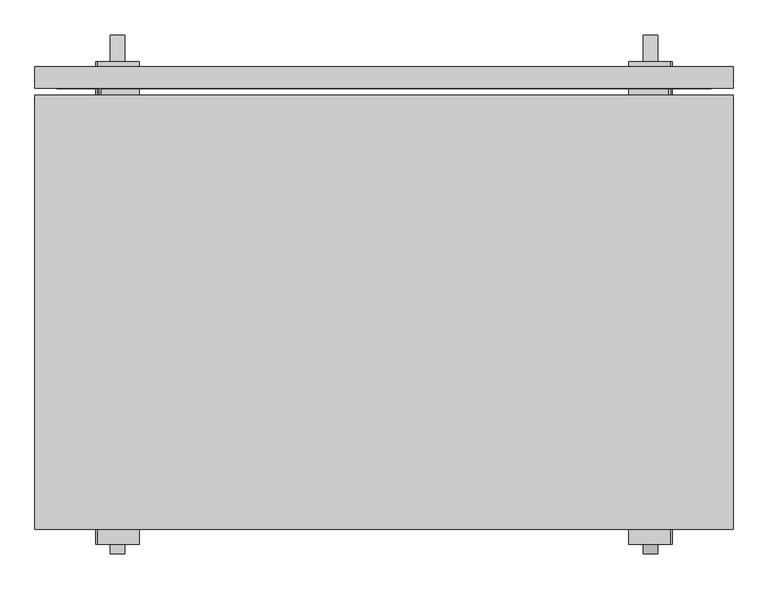
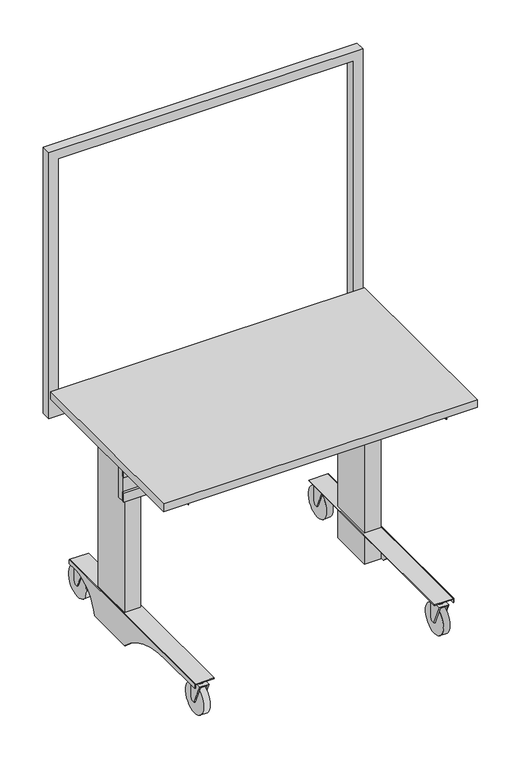
"""IFC4 building model written with IfcOpenShell, lengths in millimetres: furniture geometry."""

from ifc_helpers import new_model, si_unit, point, frame, frame_2d, origin, place, context, project, spatial, polyline, circle_curve, trimmed, segment, composite_curve, outline, extrude, faceted_brep, source, transform, mapped, element, save


def furniture_2047d374(model_context):
    return source(origin(), model_context, "Body", "SolidModel", [
        extrude(outline(composite_curve([segment(trimmed(circle_curve(frame_2d((-363.281456, 60.3249121)), 60.325), [point((-363.1784613, 0.0))], [point((-363.0896331, 120.6496071))], False, "CARTESIAN"), True, "CONTINUOUS"), segment(trimmed(circle_curve(frame_2d((-363.281456, 60.3249121)), 60.325), [point((-363.0896331, 120.6496071))], [point((-363.1784613, 0.0))], False, "CARTESIAN"), True, "CONTINUOUS")], self_intersect=False)), frame((452.9831062, 0.0, 0.0), z_axis=(1.0, 0.0, 0.0), x_axis=(0.0, 1.0, 0.0)), (0.0, 0.0, 1.0), 25.4001938),
        extrude(outline(composite_curve([segment(trimmed(circle_curve(frame_2d((465.6832031, -378.1849303)), 12.7), [point((452.9832031, -378.1849303))], [point((478.3832031, -378.1849303))], False, "CARTESIAN"), True, "CONTINUOUS"), segment(trimmed(circle_curve(frame_2d((465.6832031, -378.1849303)), 12.7), [point((478.3832031, -378.1849303))], [point((452.9832031, -378.1849303))], False, "CARTESIAN"), True, "CONTINUOUS")], self_intersect=False)), frame((0.0, 0.0, 133.3434134), z_axis=(0.0, 0.0, 1.0), x_axis=(1.0, 0.0, 0.0)), (0.0, 0.0, 1.0), 15.8815866),
        faceted_brep([(479.8786922, -370.2631105, 49.2059119), (479.8786922, -405.119037, 129.3746634), (479.8786922, -349.6945779, 129.3746634), (479.8786922, -349.6945779, 60.3184149), (479.8786922, -356.0446263, 49.2059119), (484.0980675, -349.6945779, 133.3434134), (484.0980675, -406.8445779, 133.3434134), (484.0980675, -370.2631105, 49.2059119), (484.0980675, -356.0446263, 49.2059119), (484.0980675, -349.6945779, 60.3184149), (451.4877141, -349.6945779, 129.3746634), (451.4877141, -349.6945779, 60.3184149), (447.2683388, -349.6945779, 60.3184149), (447.2683388, -349.6945779, 133.3434134), (447.2683388, -406.8445779, 133.3434134), (447.2683388, -370.2631105, 49.2059119), (451.4877141, -370.2631105, 49.2059119), (451.4877141, -405.119037, 129.3746634), (451.4877141, -356.0446263, 49.2059119), (447.2683388, -356.0446263, 49.2059119)], [[[0, 1, 2, 3, 4]], [[5, 6, 7, 8, 9]], [[3, 2, 10, 11, 12, 13, 5, 9]], [[13, 14, 6, 5]], [[14, 15, 16, 17, 1, 0, 7, 6]], [[4, 8, 7, 0]], [[3, 9, 8, 4]], [[11, 10, 17, 16, 18]], [[12, 19, 15, 14, 13]], [[16, 15, 19, 18]], [[18, 19, 12, 11]], [[2, 1, 17, 10]]]),
        extrude(outline(composite_curve([segment(trimmed(circle_curve(frame_2d((423.355318, 60.3249121)), 60.325), [point((423.4583127, 0.0))], [point((423.5471409, 120.6496071))], False, "CARTESIAN"), True, "CONTINUOUS"), segment(trimmed(circle_curve(frame_2d((423.355318, 60.3249121)), 60.325), [point((423.5471409, 120.6496071))], [point((423.4583127, 0.0))], False, "CARTESIAN"), True, "CONTINUOUS")], self_intersect=False)), frame((452.9831062, 0.0, 0.0), z_axis=(1.0, 0.0, 0.0), x_axis=(0.0, 1.0, 0.0)), (0.0, 0.0, 1.0), 25.4001938),
        extrude(outline(composite_curve([segment(trimmed(circle_curve(frame_2d((465.6832031, 408.4518437)), 12.7), [point((452.9832031, 408.4518437))], [point((478.3832031, 408.4518437))], False, "CARTESIAN"), True, "CONTINUOUS"), segment(trimmed(circle_curve(frame_2d((465.6832031, 408.4518437)), 12.7), [point((478.3832031, 408.4518437))], [point((452.9832031, 408.4518437))], False, "CARTESIAN"), True, "CONTINUOUS")], self_intersect=False)), frame((0.0, 0.0, 133.3434134), z_axis=(0.0, 0.0, 1.0), x_axis=(1.0, 0.0, 0.0)), (0.0, 0.0, 1.0), 15.8815866),
        faceted_brep([(479.8786922, 416.3736635, 49.2059119), (479.8786922, 381.517737, 129.3746634), (479.8786922, 436.9421961, 129.3746634), (479.8786922, 436.9421961, 60.3184149), (479.8786922, 430.5921477, 49.2059119), (484.0980675, 436.9421961, 133.3434134), (484.0980675, 379.7921961, 133.3434134), (484.0980675, 416.3736635, 49.2059119), (484.0980675, 430.5921477, 49.2059119), (484.0980675, 436.9421961, 60.3184149), (451.4877141, 436.9421961, 129.3746634), (451.4877141, 436.9421961, 60.3184149), (447.2683388, 436.9421961, 60.3184149), (447.2683388, 436.9421961, 133.3434134), (447.2683388, 379.7921961, 133.3434134), (447.2683388, 416.3736635, 49.2059119), (451.4877141, 416.3736635, 49.2059119), (451.4877141, 381.517737, 129.3746634), (451.4877141, 430.5921477, 49.2059119), (447.2683388, 430.5921477, 49.2059119)], [[[0, 1, 2, 3, 4]], [[5, 6, 7, 8, 9]], [[3, 2, 10, 11, 12, 13, 5, 9]], [[13, 14, 6, 5]], [[14, 15, 16, 17, 1, 0, 7, 6]], [[4, 8, 7, 0]], [[3, 9, 8, 4]], [[11, 10, 17, 16, 18]], [[12, 19, 15, 14, 13]], [[16, 15, 19, 18]], [[18, 19, 12, 11]], [[2, 1, 17, 10]]]),
        extrude(outline(composite_curve([segment(trimmed(circle_curve(frame_2d((423.355318, 60.3249121)), 60.325), [point((423.4583127, 0.0))], [point((423.5471409, 120.6496071))], False, "CARTESIAN"), True, "CONTINUOUS"), segment(trimmed(circle_curve(frame_2d((423.355318, 60.3249121)), 60.325), [point((423.5471409, 120.6496071))], [point((423.4583127, 0.0))], False, "CARTESIAN"), True, "CONTINUOUS")], self_intersect=False)), frame((-478.3833, 0.0, 0.0), z_axis=(1.0, 0.0, 0.0), x_axis=(0.0, 1.0, 0.0)), (0.0, 0.0, 1.0), 25.4001938),
        extrude(outline(composite_curve([segment(trimmed(circle_curve(frame_2d((-465.6832031, 408.4518437)), 12.7), [point((-452.9832031, 408.4518437))], [point((-478.3832031, 408.4518437))], False, "CARTESIAN"), True, "CONTINUOUS"), segment(trimmed(circle_curve(frame_2d((-465.6832031, 408.4518437)), 12.7), [point((-478.3832031, 408.4518437))], [point((-452.9832031, 408.4518437))], False, "CARTESIAN"), True, "CONTINUOUS")], self_intersect=False)), frame((0.0, 0.0, 133.3434134), z_axis=(0.0, 0.0, 1.0), x_axis=(1.0, 0.0, 0.0)), (0.0, 0.0, 1.0), 15.8815866),
        faceted_brep([(-479.8786922, 416.3736635, 49.2059119), (-479.8786922, 430.5921477, 49.2059119), (-479.8786922, 436.9421961, 60.3184149), (-479.8786922, 436.9421961, 129.3746634), (-479.8786922, 381.517737, 129.3746634), (-484.0980675, 436.9421961, 133.3434134), (-484.0980675, 436.9421961, 60.3184149), (-484.0980675, 430.5921477, 49.2059119), (-484.0980675, 416.3736635, 49.2059119), (-484.0980675, 379.7921961, 133.3434134), (-447.2683388, 436.9421961, 133.3434134), (-447.2683388, 436.9421961, 60.3184149), (-451.4877141, 436.9421961, 60.3184149), (-451.4877141, 436.9421961, 129.3746634), (-447.2683388, 379.7921961, 133.3434134), (-451.4877141, 381.517737, 129.3746634), (-451.4877141, 416.3736635, 49.2059119), (-447.2683388, 416.3736635, 49.2059119), (-451.4877141, 430.5921477, 49.2059119), (-447.2683388, 430.5921477, 49.2059119)], [[[0, 1, 2, 3, 4]], [[5, 6, 7, 8, 9]], [[2, 6, 5, 10, 11, 12, 13, 3]], [[10, 5, 9, 14]], [[14, 9, 8, 0, 4, 15, 16, 17]], [[1, 0, 8, 7]], [[2, 1, 7, 6]], [[12, 18, 16, 15, 13]], [[11, 10, 14, 17, 19]], [[16, 18, 19, 17]], [[18, 12, 11, 19]], [[3, 13, 15, 4]]]),
        extrude(outline(composite_curve([segment(trimmed(circle_curve(frame_2d((-363.281456, 60.3249121)), 60.325), [point((-363.1784613, 0.0))], [point((-363.0896331, 120.6496071))], False, "CARTESIAN"), True, "CONTINUOUS"), segment(trimmed(circle_curve(frame_2d((-363.281456, 60.3249121)), 60.325), [point((-363.0896331, 120.6496071))], [point((-363.1784613, 0.0))], False, "CARTESIAN"), True, "CONTINUOUS")], self_intersect=False)), frame((-478.3833, 0.0, 0.0), z_axis=(1.0, 0.0, 0.0), x_axis=(0.0, 1.0, 0.0)), (0.0, 0.0, 1.0), 25.4001938),
        extrude(outline(composite_curve([segment(trimmed(circle_curve(frame_2d((-465.6832031, -378.1849303)), 12.7), [point((-452.9832031, -378.1849303))], [point((-478.3832031, -378.1849303))], False, "CARTESIAN"), True, "CONTINUOUS"), segment(trimmed(circle_curve(frame_2d((-465.6832031, -378.1849303)), 12.7), [point((-478.3832031, -378.1849303))], [point((-452.9832031, -378.1849303))], False, "CARTESIAN"), True, "CONTINUOUS")], self_intersect=False)), frame((0.0, 0.0, 133.3434134), z_axis=(0.0, 0.0, 1.0), x_axis=(1.0, 0.0, 0.0)), (0.0, 0.0, 1.0), 15.8815866),
        faceted_brep([(-479.8786922, -370.2631105, 49.2059119), (-479.8786922, -356.0446263, 49.2059119), (-479.8786922, -349.6945779, 60.3184149), (-479.8786922, -349.6945779, 129.3746634), (-479.8786922, -405.119037, 129.3746634), (-484.0980675, -349.6945779, 133.3434134), (-484.0980675, -349.6945779, 60.3184149), (-484.0980675, -356.0446263, 49.2059119), (-484.0980675, -370.2631105, 49.2059119), (-484.0980675, -406.8445779, 133.3434134), (-447.2683388, -349.6945779, 133.3434134), (-447.2683388, -349.6945779, 60.3184149), (-451.4877141, -349.6945779, 60.3184149), (-451.4877141, -349.6945779, 129.3746634), (-447.2683388, -406.8445779, 133.3434134), (-451.4877141, -405.119037, 129.3746634), (-451.4877141, -370.2631105, 49.2059119), (-447.2683388, -370.2631105, 49.2059119), (-451.4877141, -356.0446263, 49.2059119), (-447.2683388, -356.0446263, 49.2059119)], [[[0, 1, 2, 3, 4]], [[5, 6, 7, 8, 9]], [[2, 6, 5, 10, 11, 12, 13, 3]], [[10, 5, 9, 14]], [[14, 9, 8, 0, 4, 15, 16, 17]], [[1, 0, 8, 7]], [[2, 1, 7, 6]], [[12, 18, 16, 15, 13]], [[11, 10, 14, 17, 19]], [[16, 18, 19, 17]], [[18, 12, 11, 19]], [[3, 13, 15, 4]]]),
        extrude(outline(composite_curve([segment(polyline([(62.5263078, 25.4), (23.8089036, 59.2016772), (-19.1171099, 87.4673166), (-65.466025, 109.679451), (-114.3890563, 125.4314328), (-164.9906188, 134.4348894), (-216.3446063, 136.5249962), (-406.8445779, 136.5249962), (-406.8445779, 152.3999992), (436.9421961, 152.3999992), (436.9421961, 136.5249962), (393.270804, 136.5249962)]), True, "CONTINUOUS"), segment(trimmed(circle_curve(frame_2d((393.270804, 8.3978511)), 128.1271451), [point((393.270804, 136.5249962))], [point((271.320106, 47.6991558))], True, "CARTESIAN"), True, "CONTINUOUS"), segment(polyline([(271.320106, 47.6991558), (265.7262594, 25.4), (62.5263078, 25.4)]), True, "CONTINUOUS")], self_intersect=False)), frame((500.6082031, 0.0, 0.0), z_axis=(1.0, 0.0, 0.0), x_axis=(0.0, 1.0, 0.0)), (0.0, 0.0, 1.0), 3.175),
        extrude(outline(polyline([(427.5832031, 436.9421961), (500.6082031, 436.9421961), (500.6082031, -406.8445779), (427.5832031, -406.8445779), (427.5832031, 436.9421961)])), frame((0.0, 0.0, 149.2250023), z_axis=(0.0, 0.0, 1.0), x_axis=(1.0, 0.0, 0.0)), (0.0, 0.0, 1.0), 3.174997),
        extrude(outline(composite_curve([segment(polyline([(62.5263078, 25.4), (23.8089036, 59.2016772), (-19.1171099, 87.4673166), (-65.466025, 109.679451), (-114.3890563, 125.4314328), (-164.9906188, 134.4348894), (-216.3446063, 136.5249962), (-406.8445779, 136.5249962), (-406.8445779, 152.3999992), (436.9421961, 152.3999992), (436.9421961, 136.5249962), (393.270804, 136.5249962)]), True, "CONTINUOUS"), segment(trimmed(circle_curve(frame_2d((393.270804, 8.3978511)), 128.1271451), [point((393.270804, 136.5249962))], [point((271.320106, 47.6991558))], True, "CARTESIAN"), True, "CONTINUOUS"), segment(polyline([(271.320106, 47.6991558), (265.7262594, 25.4), (62.5263078, 25.4)]), True, "CONTINUOUS")], self_intersect=False)), frame((-503.7832031, 0.0, 0.0), z_axis=(1.0, 0.0, 0.0), x_axis=(0.0, 1.0, 0.0)), (0.0, 0.0, 1.0), 3.175),
        extrude(outline(polyline([(-427.5832031, 436.9421961), (-427.5832031, -406.8445779), (-500.6082031, -406.8445779), (-500.6082031, 436.9421961), (-427.5832031, 436.9421961)])), frame((0.0, 0.0, 149.2250023), z_axis=(0.0, 0.0, 1.0), x_axis=(1.0, 0.0, 0.0)), (0.0, 0.0, 1.0), 3.174997),
        extrude(outline(polyline([(520.0550781, 49.8739906), (520.0550781, 40.3489906), (-520.0550781, 40.3489906), (-520.0550781, 49.8739906), (520.0550781, 49.8739906)])), frame((0.0, 0.0, 735.3101562), z_axis=(0.0, 0.0, 1.0), x_axis=(1.0, 0.0, 0.0)), (0.0, 0.0, 1.0), 38.1),
        extrude(outline(polyline([(520.0550781, 49.8739906), (520.0550781, 40.3489906), (-520.0550781, 40.3489906), (-520.0550781, 49.8739906), (520.0550781, 49.8739906)])), frame((0.0, 0.0, 633.7109072), z_axis=(0.0, 0.0, 1.0), x_axis=(1.0, 0.0, 0.0)), (0.0, 0.0, 1.0), 38.099237),
        extrude(outline(polyline([(520.0550781, 75.2739906), (520.0550781, 49.8739906), (-520.0550781, 49.8739906), (-520.0550781, 75.2739906), (520.0550781, 75.2739906)])), frame((0.0, 0.0, 633.7109072), z_axis=(0.0, 0.0, 1.0), x_axis=(1.0, 0.0, 0.0)), (0.0, 0.0, 1.0), 152.4),
        extrude(outline(polyline([(354.0270703, 831.8499758), (-7.9229297, 831.8499758), (-357.1729418, 857.2500242), (-357.1729418, 882.65), (354.0270703, 882.65), (354.0270703, 831.8499758)])), frame((500.6082031, 0.0, 0.0), z_axis=(1.0, 0.0, 0.0), x_axis=(0.0, 1.0, 0.0)), (0.0, 0.0, 1.0), 3.175),
        extrude(outline(polyline([(433.9332031, 75.2740107), (433.9332031, 253.0739906), (497.4332031, 253.0739906), (497.4332031, 75.2740107), (433.9332031, 75.2740107)])), frame((0.0, 0.0, 25.4), z_axis=(0.0, 0.0, 1.0), x_axis=(1.0, 0.0, 0.0)), (0.0, 0.0, 1.0), 806.4499758),
        extrude(outline(polyline([(-433.9332031, 253.0739906), (-433.9332031, 75.2263078), (-497.4332031, 75.2263078), (-497.4332031, 253.0739906), (-433.9332031, 253.0739906)])), frame((0.0, 0.0, 25.4), z_axis=(0.0, 0.0, 1.0), x_axis=(1.0, 0.0, 0.0)), (0.0, 0.0, 1.0), 806.4499758),
        extrude(outline(polyline([(389.9296875, 834.0473586), (389.9296875, 795.9473586), (354.0270703, 831.8499758), (354.0270703, 869.9499758), (389.9296875, 834.0473586)])), frame((-497.4332031, 0.0, 0.0), z_axis=(1.0, 0.0, 0.0), x_axis=(0.0, 1.0, 0.0)), (0.0, 0.0, 1.0), 3.175),
        extrude(outline(polyline([(354.0270703, 831.8499758), (-7.9229297, 831.8499758), (-357.1729418, 857.2500242), (-357.1729418, 882.65), (354.0270703, 882.65), (354.0270703, 831.8499758)])), frame((-500.6082031, 0.0, 0.0), z_axis=(1.0, 0.0, 0.0), x_axis=(0.0, 1.0, 0.0)), (0.0, 0.0, 1.0), 3.175),
        extrude(outline(polyline([(795.9328125, 609.6), (1886.346875, 609.6), (1886.346875, -609.6), (795.9328125, -609.6), (795.9328125, 609.6)]), holes=[polyline([(1848.246875, 571.5), (834.0328125, 571.5), (834.0328125, -571.5), (1848.246875, -571.5), (1848.246875, 571.5)])]), frame((0.0, 389.9296875, 0.0), z_axis=(0.0, 1.0, 0.0), x_axis=(0.0, 0.0, 1.0)), (0.0, 0.0, 1.0), 38.1),
        extrude(outline(polyline([(609.6, 377.9242187), (609.6, -381.0), (-609.6, -381.0), (-609.6, 377.9242187), (609.6, 377.9242187)])), frame((0.0, 0.0, 882.65), z_axis=(0.0, 0.0, 1.0), x_axis=(1.0, 0.0, 0.0)), (0.0, 0.0, 1.0), 31.75),
        extrude(outline(polyline([(882.65, -263.525), (882.65, -265.1125), (862.0125, -265.1125), (862.0125, -252.4125), (863.6, -252.4125), (863.6, -263.525), (882.65, -263.525)])), frame((0.0, -349.25, 0.0), z_axis=(0.0, 1.0, 0.0), x_axis=(0.0, 0.0, 1.0)), (0.0, 0.0, 1.0), 361.95),
        extrude(outline(polyline([(882.65, 263.525), (863.6, 263.525), (863.6, 252.4125), (862.0125, 252.4125), (862.0125, 265.1125), (882.65, 265.1125), (882.65, 263.525)])), frame((0.0, -349.25, 0.0), z_axis=(0.0, 1.0, 0.0), x_axis=(0.0, 0.0, 1.0)), (0.0, 0.0, 1.0), 361.95),
        extrude(outline(polyline([(389.9296875, 834.0473586), (389.9296875, 795.9473586), (354.0270703, 831.8499758), (354.0270703, 869.9499758), (389.9296875, 834.0473586)])), frame((497.4332031, 0.0, 0.0), z_axis=(1.0, 0.0, 0.0), x_axis=(0.0, 1.0, 0.0)), (0.0, 0.0, 1.0), 3.175),
    ])


if __name__ == "__main__":
    model = new_model("IFC4")
    model_context = context("Model", 3, world=origin())
    ifc_project = project(units=[si_unit("LENGTHUNIT", "METRE", prefix="MILLI")], contexts=[model_context])
    site = spatial("IfcSite", under=ifc_project)
    building = spatial("IfcBuilding", under=site)
    placement = place(None, origin())
    furniture_shape = furniture_2047d374(model_context)
    element("IfcFurniture", 1, at=placement, inside=building, context=model_context, shape_type="MappedRepresentation", body=[
        mapped(furniture_shape, transform((0.0, 0.0, 0.0), x_axis=(1.0, 0.0, 0.0), y_axis=(0.0, 1.0, 0.0), z_axis=(0.0, 0.0, 1.0))),
    ])
    save(model, "model.ifc")
